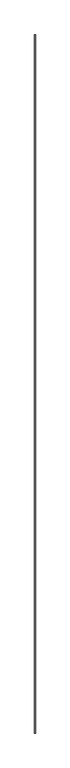
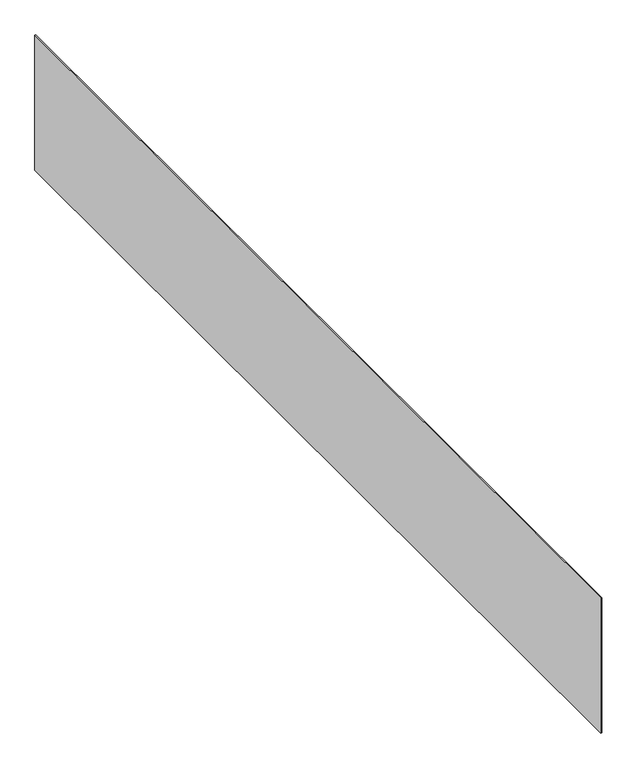
"""IFC4 building model written with IfcOpenShell, lengths in millimetres: proxy geometry."""

from ifc_helpers import new_model, si_unit, frame, origin, place, context, project, spatial, polyline, outline, extrude, source, transform, mapped, element, save


def generic_models_c5dc4ab8(model_context):
    return source(origin(), model_context, "Body", "SweptSolid", [
        extrude(outline(polyline([(37605.2710168, -18662.4264268), (37605.2710168, -25196.3529893), (37598.9210168, -25196.3529893), (37598.9210168, -18662.4264268), (37605.2710168, -18662.4264268)])), frame((0.0, 0.0, 4686.3), z_axis=(0.0, 0.0, 1.0), x_axis=(1.0, 0.0, 0.0)), (0.0, 0.0, 1.0), 952.5),
    ])


if __name__ == "__main__":
    model = new_model("IFC4")
    model_context = context("Model", 3, world=origin())
    ifc_project = project(units=[si_unit("LENGTHUNIT", "METRE", prefix="MILLI")], contexts=[model_context])
    site = spatial("IfcSite", under=ifc_project)
    building = spatial("IfcBuilding", under=site)
    placement = place(None, origin())
    generic_models_shape = generic_models_c5dc4ab8(model_context)
    element("IfcBuildingElementProxy", 1, Name="Generic Models", at=placement, inside=building, context=model_context, shape_type="MappedRepresentation", body=[
        mapped(generic_models_shape, transform((0.0, 0.0, 0.0), x_axis=(1.0, 0.0, 0.0), y_axis=(0.0, 1.0, 0.0), z_axis=(0.0, 0.0, 1.0))),
    ])
    save(model, "model.ifc")
